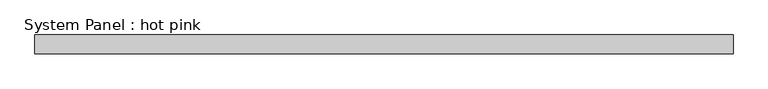
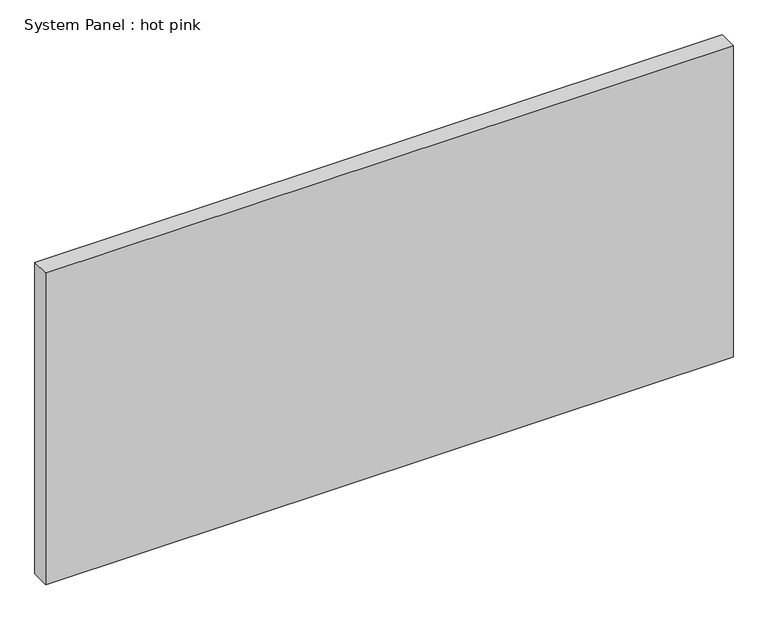
"""IFC4 building model written with IfcOpenShell, lengths in millimetres: plate geometry, System Panel : hot pink."""

from ifc_helpers import new_model, si_unit, origin, origin_with_axes, place, context, project, spatial, polyline, outline, extrude, source, transform, mapped, element, save


def system_panel_hot_pink_72b6ac7c(model_context):
    return source(origin(), model_context, "Body", "SweptSolid", [
        extrude(outline(polyline([(1171.575, -19.05), (-1171.575, -19.05), (-1171.575, 44.45), (1171.575, 44.45), (1171.575, -19.05)])), origin_with_axes(), (0.0, 0.0, 1.0), 1123.95),
    ])


if __name__ == "__main__":
    model = new_model("IFC4")
    model_context = context("Model", 3, world=origin())
    ifc_project = project(units=[si_unit("LENGTHUNIT", "METRE", prefix="MILLI")], contexts=[model_context])
    site = spatial("IfcSite", under=ifc_project)
    building = spatial("IfcBuilding", under=site)
    placement = place(None, origin())
    system_panel_hot_pink_shape = system_panel_hot_pink_72b6ac7c(model_context)
    element("IfcPlate", 1, ObjectType="System Panel : hot pink", at=placement, inside=building, context=model_context, shape_type="MappedRepresentation", body=[
        mapped(system_panel_hot_pink_shape, transform((0.0, 0.0, 0.0), x_axis=(1.0, 0.0, 0.0), y_axis=(0.0, 1.0, 0.0), z_axis=(0.0, 0.0, 1.0))),
    ])
    save(model, "model.ifc")
